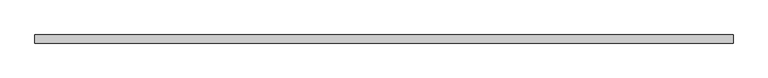
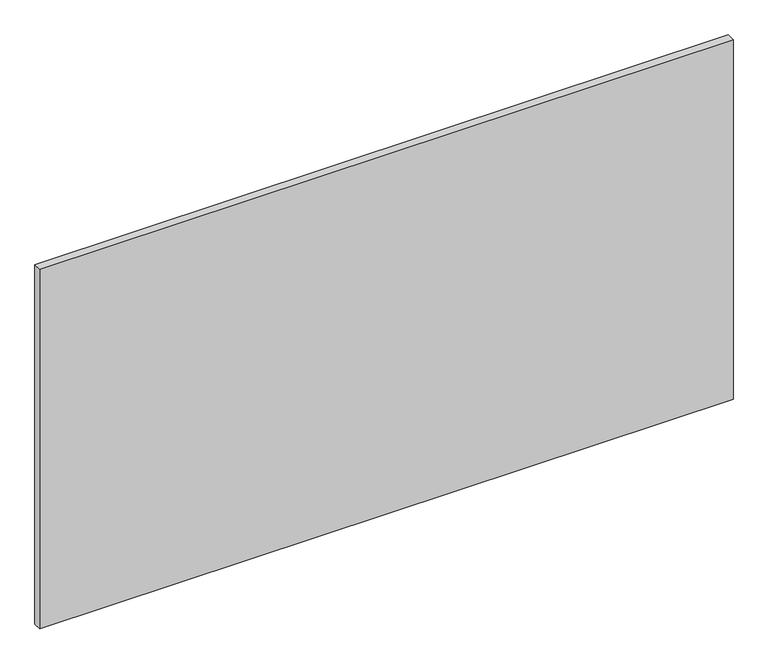
"""IFC4 building model written with IfcOpenShell, lengths in millimetres: plate geometry."""

from ifc_helpers import new_model, si_unit, origin, origin_with_axes, place, context, project, spatial, polyline, outline, extrude, source, transform, mapped, element, save


def plate_51651817(model_context):
    return source(origin(), model_context, "Body", "SweptSolid", [
        extrude(outline(polyline([(625.0, 7.25), (625.0, -7.25), (-625.0, -7.25), (-625.0, 7.25), (625.0, 7.25)])), origin_with_axes(), (0.0, 0.0, 1.0), 685.0),
    ])


if __name__ == "__main__":
    model = new_model("IFC4")
    model_context = context("Model", 3, world=origin())
    ifc_project = project(units=[si_unit("LENGTHUNIT", "METRE", prefix="MILLI")], contexts=[model_context])
    site = spatial("IfcSite", under=ifc_project)
    building = spatial("IfcBuilding", under=site)
    placement = place(None, origin())
    plate_shape = plate_51651817(model_context)
    element("IfcPlate", 1, at=placement, inside=building, context=model_context, shape_type="MappedRepresentation", body=[
        mapped(plate_shape, transform((0.0, 0.0, 0.0), x_axis=(1.0, 0.0, 0.0), y_axis=(0.0, 1.0, 0.0), z_axis=(0.0, 0.0, 1.0))),
    ])
    save(model, "model.ifc")
